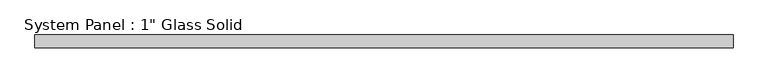
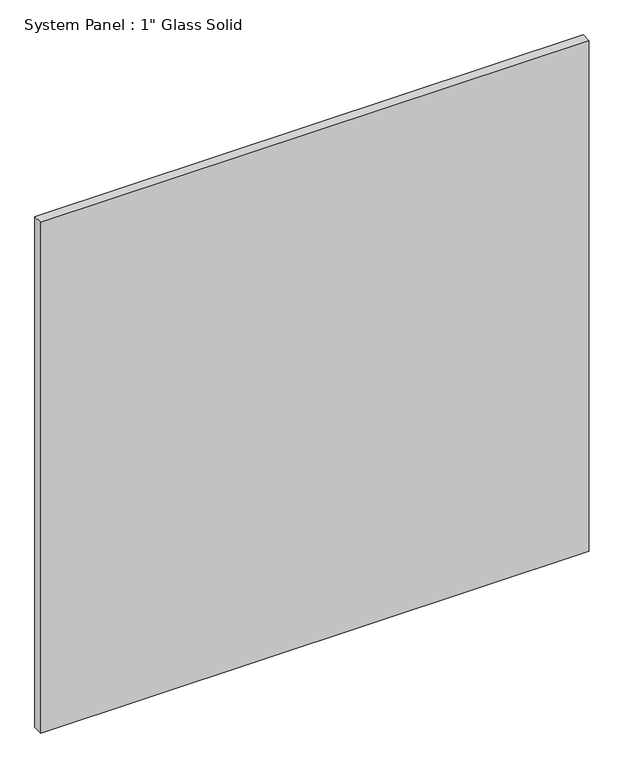
"""IFC4 building model written with IfcOpenShell, lengths in millimetres: plate geometry."""

from ifc_helpers import new_model, si_unit, origin, origin_with_axes, place, context, project, spatial, polyline, outline, extrude, source, transform, mapped, element, save


def plate_3d25ba49(model_context):
    return source(origin(), model_context, "Body", "SweptSolid", [
        extrude(outline(polyline([(687.4389199, -12.7), (-687.4389199, -12.7), (-687.4389199, 12.7), (687.4389199, 12.7), (687.4389199, -12.7)])), origin_with_axes(), (0.0, 0.0, 1.0), 1352.6641382),
    ])


if __name__ == "__main__":
    model = new_model("IFC4")
    model_context = context("Model", 3, world=origin())
    ifc_project = project(units=[si_unit("LENGTHUNIT", "METRE", prefix="MILLI")], contexts=[model_context])
    site = spatial("IfcSite", under=ifc_project)
    building = spatial("IfcBuilding", under=site)
    placement = place(None, origin())
    plate_shape = plate_3d25ba49(model_context)
    element("IfcPlate", 1, ObjectType="System Panel : 1\" Glass Solid", at=placement, inside=building, context=model_context, shape_type="MappedRepresentation", body=[
        mapped(plate_shape, transform((0.0, 0.0, 0.0), x_axis=(1.0, 0.0, 0.0), y_axis=(0.0, 1.0, 0.0), z_axis=(0.0, 0.0, 1.0))),
    ])
    save(model, "model.ifc")
